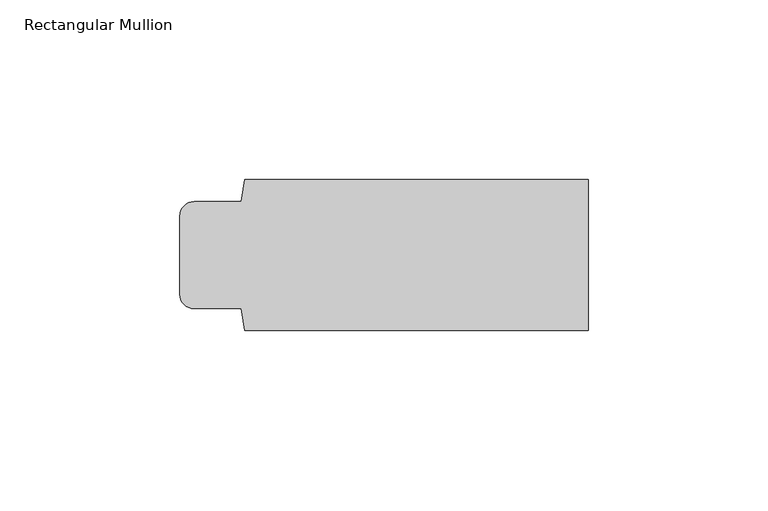
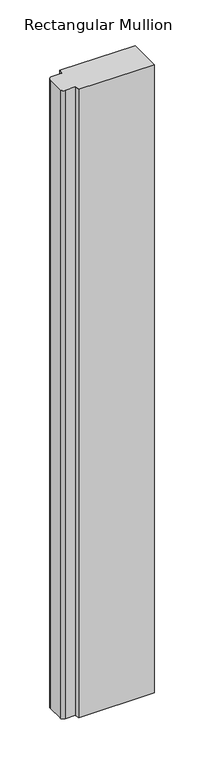
"""IFC4 building model written with IfcOpenShell, lengths in millimetres: member geometry, Rectangular Mullion."""

from ifc_helpers import new_model, si_unit, point, frame, frame_2d, origin, place, context, project, spatial, polyline, circle_curve, trimmed, segment, composite_curve, outline, extrude, source, transform, mapped, element, save


def rectangular_mullion_f9343092(model_context):
    return source(origin(), model_context, "Body", "SweptSolid", [
        extrude(outline(composite_curve([segment(polyline([(0.0, 21.0), (0.0, -21.0), (-95.5, -21.0), (-96.5, -14.9), (-109.5, -14.9)]), True, "CONTINUOUS"), segment(trimmed(circle_curve(frame_2d((-109.5, -10.9)), 4.0), [point((-109.5, -14.9))], [point((-113.5, -10.9))], False, "CARTESIAN"), True, "CONTINUOUS"), segment(polyline([(-113.5, -10.9), (-113.5, 10.9)]), True, "CONTINUOUS"), segment(trimmed(circle_curve(frame_2d((-109.5, 10.9)), 4.0), [point((-113.5, 10.9))], [point((-109.5, 14.9))], False, "CARTESIAN"), True, "CONTINUOUS"), segment(polyline([(-109.5, 14.9), (-96.5, 14.9), (-95.5, 21.0), (0.0, 21.0)]), True, "CONTINUOUS")], self_intersect=False)), frame((0.0, 0.0, -842.2121983), z_axis=(0.0, 0.0, 1.0), x_axis=(1.0, 0.0, 0.0)), (0.0, 0.0, 1.0), 842.2121983),
    ])


if __name__ == "__main__":
    model = new_model("IFC4")
    model_context = context("Model", 3, world=origin())
    ifc_project = project(units=[si_unit("LENGTHUNIT", "METRE", prefix="MILLI")], contexts=[model_context])
    site = spatial("IfcSite", under=ifc_project)
    building = spatial("IfcBuilding", under=site)
    placement = place(None, origin())
    rectangular_mullion_shape = rectangular_mullion_f9343092(model_context)
    element("IfcMember", 1, ObjectType="Rectangular Mullion", at=placement, inside=building, context=model_context, shape_type="MappedRepresentation", body=[
        mapped(rectangular_mullion_shape, transform((0.0, 0.0, 0.0), x_axis=(1.0, 0.0, 0.0), y_axis=(0.0, 1.0, 0.0), z_axis=(0.0, 0.0, 1.0))),
    ])
    save(model, "model.ifc")
